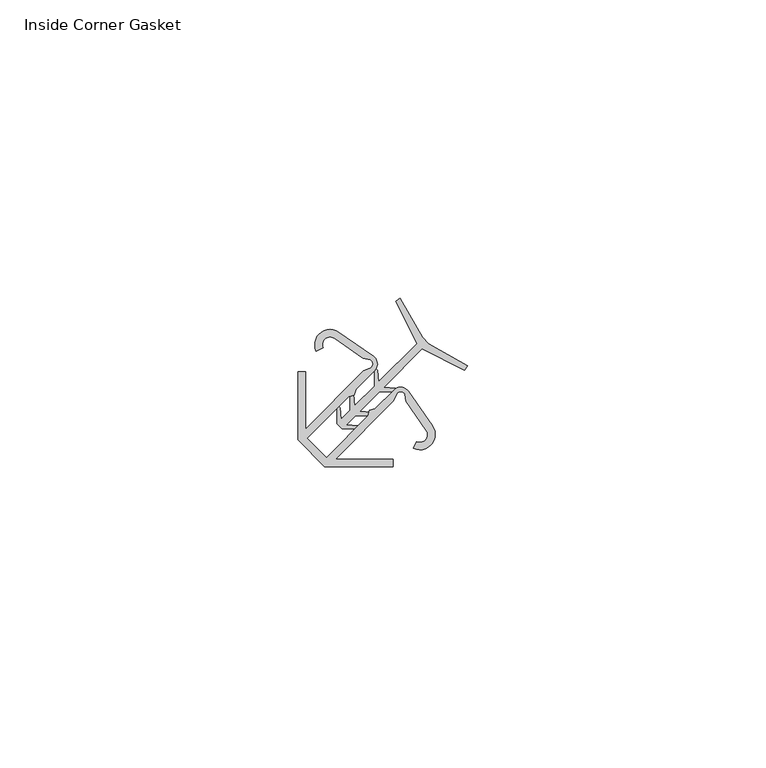
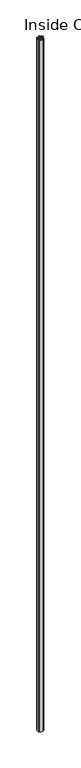
"""IFC4 building model written with IfcOpenShell, lengths in millimetres: furniture geometry, Inside Corner Gasket."""

from ifc_helpers import new_model, si_unit, point, frame_2d, origin, origin_with_axes, place, context, project, spatial, polyline, circle_curve, trimmed, segment, composite_curve, outline, extrude, source, transform, mapped, element, save


def inside_corner_gasket_3f839031(model_context):
    return source(origin(), model_context, "Body", "SweptSolid", [
        extrude(outline(composite_curve([segment(polyline([(-2.7813781, -15.4541762), (-2.7813781, -4.0239283), (-1.5113782, -4.0239283), (-1.5113782, -13.6453604), (8.2532338, -3.8807487), (9.4950652, -3.3536226)]), True, "CONTINUOUS"), segment(trimmed(circle_curve(frame_2d((8.9586546, -2.7247865)), 0.8265416), [point((9.4950652, -3.3536226))], [point((9.3777197, -2.0123572))], True, "CARTESIAN"), True, "CONTINUOUS"), segment(polyline([(9.3777197, -2.0123572), (8.1811366, -1.7956614), (3.3422244, 1.5764027)]), True, "CONTINUOUS"), segment(trimmed(circle_curve(frame_2d((2.605527, 0.519242)), 1.2885309), [point((3.3422244, 1.5764027))], [point((1.4311468, -0.0109873))], True, "CARTESIAN"), True, "CONTINUOUS"), segment(polyline([(1.4311468, -0.0109873), (0.2945858, -0.5409744)]), True, "CONTINUOUS"), segment(trimmed(circle_curve(frame_2d((2.6104362, 0.5262883)), 2.5499436), [point((0.2945858, -0.5409744))], [point((4.0683267, 2.6183609))], False, "CARTESIAN"), True, "CONTINUOUS"), segment(polyline([(4.0683267, 2.6183609), (9.8673678, -1.4227834)]), True, "CONTINUOUS"), segment(trimmed(circle_curve(frame_2d((8.9597374, -2.7252327)), 1.5875034), [point((9.8673678, -1.4227834))], [point((10.0797468, -3.8502866))], False, "CARTESIAN"), True, "CONTINUOUS"), segment(polyline([(10.0797468, -3.8502866), (6.9413606, -6.9886731), (6.6631454, -7.9612462), (5.7498647, -8.1801689), (-1.2547345, -15.1847687), (1.9781572, -18.4176604), (8.982757, -11.4130612), (9.2016797, -10.4997805), (10.1742528, -10.2215653), (13.3126393, -7.0831791)]), True, "CONTINUOUS"), segment(trimmed(circle_curve(frame_2d((14.4376932, -8.2031884)), 1.5875034), [point((13.3126393, -7.0831791))], [point((15.7401425, -7.2955581))], False, "CARTESIAN"), True, "CONTINUOUS"), segment(polyline([(15.7401425, -7.2955581), (19.7812868, -13.0945992)]), True, "CONTINUOUS"), segment(trimmed(circle_curve(frame_2d((17.6892142, -14.5524897)), 2.5499436), [point((19.7812868, -13.0945992))], [point((16.6219515, -16.8683401))], False, "CARTESIAN"), True, "CONTINUOUS"), segment(polyline([(16.6219515, -16.8683401), (17.1519386, -15.7317791)]), True, "CONTINUOUS"), segment(trimmed(circle_curve(frame_2d((17.6821679, -14.5573989)), 1.2885309), [point((17.1519386, -15.7317791))], [point((18.7393286, -13.8207015))], True, "CARTESIAN"), True, "CONTINUOUS"), segment(polyline([(18.7393286, -13.8207015), (15.3672645, -8.9817893), (15.1505687, -7.7852062)]), True, "CONTINUOUS"), segment(trimmed(circle_curve(frame_2d((14.4381394, -8.2042713)), 0.8265416), [point((15.1505687, -7.7852062))], [point((13.8093033, -7.6678607))], True, "CARTESIAN"), True, "CONTINUOUS"), segment(polyline([(13.8093033, -7.6678607), (13.2821772, -8.9096921), (3.5175655, -18.6743041), (13.1389976, -18.6743041), (13.1389976, -19.944304), (1.7087497, -19.944304), (-2.7813781, -15.4541762)]), True, "CONTINUOUS")], self_intersect=False)), origin_with_axes(), (0.0, 0.0, 1.0), 3048.0),
        extrude(outline(polyline([(3.7498336, -12.720021), (3.7498432, -9.4537778), (4.2766357, -10.03884), (4.4686453, -12.0055898), (5.9943933, -10.4798418), (5.994403, -7.2157621), (6.5250502, -7.8051055), (6.7157541, -9.7584809), (10.0339658, -6.4402692), (10.0339754, -3.2009944), (10.5681003, -3.7942001), (10.7559451, -5.7182898), (17.1741615, 0.6999266), (13.6364838, 7.8059271), (14.3274688, 8.3266217), (18.0778556, 1.7499511), (19.1178122, 0.7099945), (25.6944827, -3.0403922), (25.1737882, -3.7313772), (18.0677877, -0.1936996), (11.6495713, -6.611916), (13.573661, -6.7997608), (14.1668667, -7.3338856), (10.9275919, -7.3338952), (7.6093801, -10.6521069), (9.5627556, -10.8428109), (10.152099, -11.373458), (6.8880193, -11.3734677), (5.3622712, -12.8992157), (7.329021, -13.0912254), (7.9140833, -13.6180178), (4.6478395, -13.6180275), (3.7498336, -12.720021)])), origin_with_axes(), (0.0, 0.0, 1.0), 3048.0),
    ])


if __name__ == "__main__":
    model = new_model("IFC4")
    model_context = context("Model", 3, world=origin())
    ifc_project = project(units=[si_unit("LENGTHUNIT", "METRE", prefix="MILLI")], contexts=[model_context])
    site = spatial("IfcSite", under=ifc_project)
    building = spatial("IfcBuilding", under=site)
    placement = place(None, origin())
    inside_corner_gasket_shape = inside_corner_gasket_3f839031(model_context)
    element("IfcFurniture", 1, ObjectType="Inside Corner Gasket", at=placement, inside=building, context=model_context, shape_type="MappedRepresentation", body=[
        mapped(inside_corner_gasket_shape, transform((0.0, 0.0, 0.0), x_axis=(1.0, 0.0, 0.0), y_axis=(0.0, 1.0, 0.0), z_axis=(0.0, 0.0, 1.0))),
    ])
    save(model, "model.ifc")
